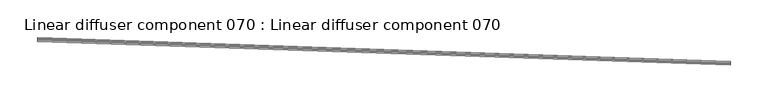
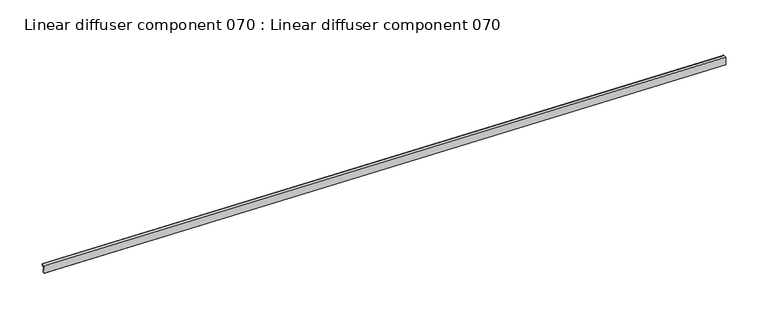
"""IFC4 building model written with IfcOpenShell, lengths in millimetres: proxy geometry, Linear diffuser component 070 : Linear diffuser component 070."""

from ifc_helpers import new_model, si_unit, origin, place, context, project, spatial, triangles, source, transform, mapped, element, save


def linear_diffuser_component_070_linear_diffuser_component_070_f7c2c826(model_context):
    return source(origin(), model_context, "Body", "Tessellation", [
        triangles([(34345.5849792, -15733.1698975, 3053.0011391), (33431.7198303, -15701.896225, 3053.0011391), (33431.691925, -15702.7043152, 3053.9377098), (34345.557074, -15733.9779877, 3053.9377098), (33431.6826233, -15702.9938324, 3055.1393806), (34345.5477722, -15734.2686676, 3055.1393806), (33431.7082031, -15702.2241119, 3057.0014763), (34345.5733521, -15733.4989471, 3057.0014763), (33431.7779663, -15700.2091187, 3057.8336929), (34345.6431152, -15731.4827911, 3057.8336929), (34345.6570679, -15731.0758392, 3058.1516968), (33431.7919189, -15699.801004, 3058.1516968), (33431.7919189, -15699.801004, 3060.1259949), (34345.6570679, -15731.0758392, 3060.1259949), (33431.7779663, -15700.1893524, 3060.1259949), (34345.6431152, -15731.4630249, 3060.1259949), (33431.7779663, -15700.1893524, 3060.5140526), (34345.6431152, -15731.4630249, 3060.5140526), (33431.6198364, -15704.8599976, 3060.5140526), (34345.4849854, -15736.1348328, 3060.5140526), (33431.6198364, -15704.8599976, 3059.7382278), (34345.4849854, -15736.1348328, 3059.7382278), (34345.4873108, -15736.0185608, 3059.7382278), (33431.6221619, -15704.7437256, 3059.7382278), (33431.6221619, -15704.7437256, 3049.7193626), (34345.4873108, -15736.0185608, 3049.7193626), (33431.6779724, -15703.1507996, 3049.7193626), (34345.5431213, -15734.4256348, 3049.7193626), (33431.6779724, -15703.1507996, 3048.9406311), (34345.5431213, -15734.4256348, 3048.9406311), (33431.712854, -15702.1276062, 3048.9406311), (34345.5780029, -15733.4012787, 3048.9406311), (34345.5919556, -15733.0106049, 3049.3286888), (33431.7268066, -15701.7357697, 3049.3286888), (33431.7268066, -15701.7357697, 3052.6825539), (34345.5919556, -15733.0106049, 3052.6825539), (33431.712854, -15702.124118, 3052.6825539), (34345.5780029, -15733.3989532, 3052.6825539)], [[4, 1, 3], [2, 3, 1], [6, 4, 3], [3, 5, 6], [8, 6, 7], [5, 7, 6], [10, 8, 9], [7, 9, 8], [14, 11, 13], [12, 13, 11], [16, 14, 15], [13, 15, 14], [18, 16, 17], [15, 17, 16], [20, 18, 19], [17, 19, 18], [22, 20, 19], [19, 21, 22], [26, 23, 25], [24, 25, 23], [28, 26, 25], [25, 27, 28], [30, 28, 27], [27, 29, 30], [32, 30, 31], [29, 31, 30], [36, 33, 35], [34, 35, 33], [38, 36, 35], [35, 37, 38], [1, 38, 37], [37, 2, 1]], closed=False),
    ])


if __name__ == "__main__":
    model = new_model("IFC4")
    model_context = context("Model", 3, world=origin())
    ifc_project = project(units=[si_unit("LENGTHUNIT", "METRE", prefix="MILLI")], contexts=[model_context])
    site = spatial("IfcSite", under=ifc_project)
    building = spatial("IfcBuilding", under=site)
    placement = place(None, origin())
    linear_diffuser_component_070_linear_diffuser_component_070_shape = linear_diffuser_component_070_linear_diffuser_component_070_f7c2c826(model_context)
    element("IfcBuildingElementProxy", 1, Name="Linear diffuser component 070 : Linear diffuser component 070", ObjectType="Linear diffuser component 070 : Linear diffuser component 070", at=placement, inside=building, context=model_context, shape_type="MappedRepresentation", body=[
        mapped(linear_diffuser_component_070_linear_diffuser_component_070_shape, transform((0.0, 0.0, 0.0), x_axis=(1.0, 0.0, 0.0), y_axis=(0.0, 1.0, 0.0), z_axis=(0.0, 0.0, 1.0))),
    ])
    save(model, "model.ifc")
